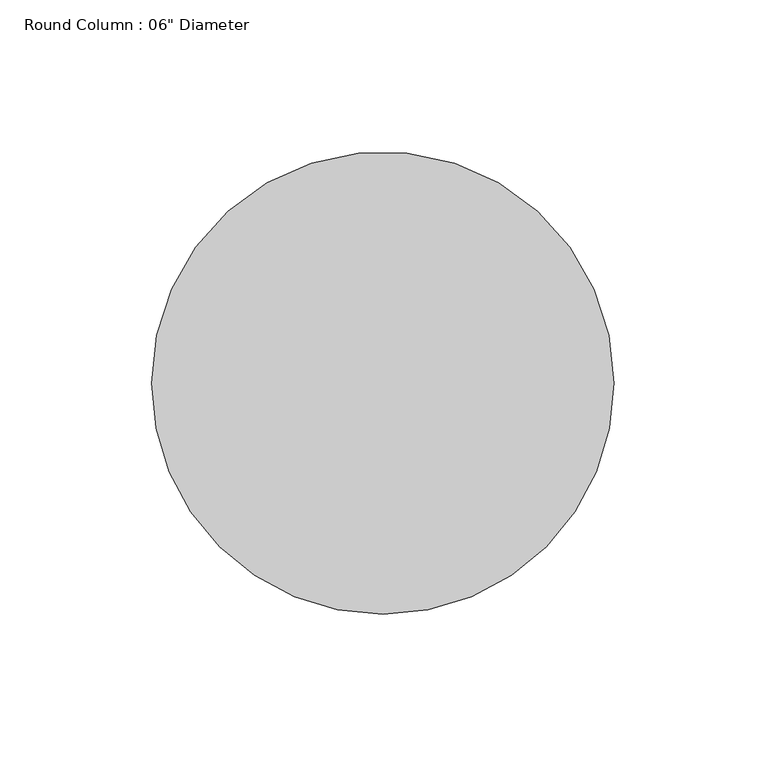
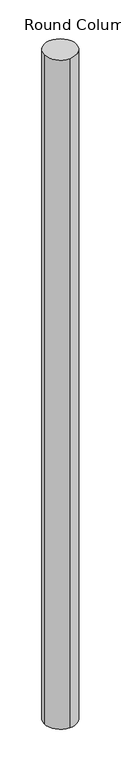
"""IFC4 building model written with IfcOpenShell, lengths in millimetres: column geometry."""

from ifc_helpers import new_model, si_unit, point, origin, origin_with_axes, origin_2d, place, context, project, spatial, circle_curve, trimmed, segment, composite_curve, outline, extrude, source, transform, mapped, element, save


def column_ac4a929d(model_context):
    return source(origin(), model_context, "Body", "SweptSolid", [
        extrude(outline(composite_curve([segment(trimmed(circle_curve(origin_2d(), 76.2), [point((76.2, 0.0))], [point((0.0, -76.2))], False, "CARTESIAN"), True, "CONTINUOUS"), segment(trimmed(circle_curve(origin_2d(), 76.2), [point((0.0, -76.2))], [point((-76.2, 0.0))], False, "CARTESIAN"), True, "CONTINUOUS"), segment(trimmed(circle_curve(origin_2d(), 76.2), [point((-76.2, 0.0))], [point((76.2, 0.0))], False, "CARTESIAN"), True, "CONTINUOUS")], self_intersect=False)), origin_with_axes(), (0.0, 0.0, 1.0), 3352.8),
    ])


if __name__ == "__main__":
    model = new_model("IFC4")
    model_context = context("Model", 3, world=origin())
    ifc_project = project(units=[si_unit("LENGTHUNIT", "METRE", prefix="MILLI")], contexts=[model_context])
    site = spatial("IfcSite", under=ifc_project)
    building = spatial("IfcBuilding", under=site)
    placement = place(None, origin())
    column_shape = column_ac4a929d(model_context)
    element("IfcColumn", 1, ObjectType="Round Column : 06\" Diameter", at=placement, inside=building, context=model_context, shape_type="MappedRepresentation", body=[
        mapped(column_shape, transform((0.0, 0.0, 0.0), x_axis=(1.0, 0.0, 0.0), y_axis=(0.0, 1.0, 0.0), z_axis=(0.0, 0.0, 1.0))),
    ])
    save(model, "model.ifc")
